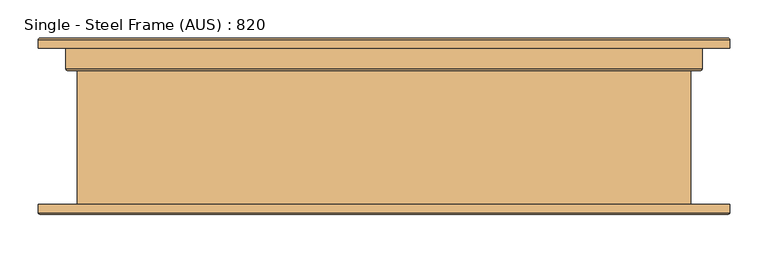
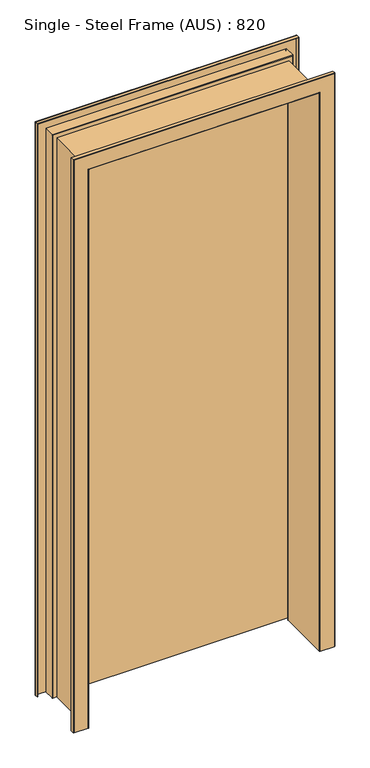
"""IFC4 building model written with IfcOpenShell, lengths in millimetres: door geometry, Single - Steel Frame (AUS) : 820."""

from ifc_helpers import new_model, si_unit, frame, origin, place, context, project, spatial, polyline, circle_curve, ellipse_curve, outline, extrude, source, transform, mapped, element, save
from ifc_brep_helpers import plane_surface, cylinder_surface, revolved_surface, advanced_brep


def single_steel_frame_aus_820_89755aff(model_context):
    return source(origin(), model_context, "Body", "SolidModel", [
        advanced_brep(
        [(-400.0, -115.0, 0.0), (-449.0, -115.0, 0.0), (-451.0, -113.0, 0.0), (-451.0, -102.0, 0.0), (-449.0, -102.0, 0.0), (-449.0, -113.0, 0.0), (-400.0, -113.0, 0.0), (-400.0, 73.0, 0.0), (-413.0, 73.0, 0.0), (-415.0, 75.0, 0.0), (-415.0, 113.0, 0.0), (-449.0, 113.0, 0.0), (-449.0, 102.0, 0.0), (-451.0, 102.0, 0.0), (-451.0, 113.0, 0.0), (-449.0, 115.0, 0.0), (-415.0, 115.0, 0.0), (-413.0, 113.0, 0.0), (-413.0, 76.4142136, 0.0), (-411.5857864, 75.0, 0.0), (-400.0, 75.0, 0.0), (-398.0, 73.0, 0.0), (-398.0, -113.0, 0.0), (-398.0, -113.0, 2033.0), (-400.0, -115.0, 2035.0), (-398.0, 73.0, 2033.0), (-400.0, 75.0, 2035.0), (-411.5857864, 75.0, 2046.5857864), (411.5857864, 75.0, 2046.5857864), (411.5857864, 75.0, 0.0), (400.0, 75.0, 0.0), (400.0, 75.0, 2035.0), (-413.0, 76.4142136, 2048.0), (-413.0, 113.0, 2048.0), (-415.0, 115.0, 2050.0), (-449.0, 115.0, 2084.0), (449.0, 115.0, 2084.0), (449.0, 115.0, 0.0), (415.0, 115.0, 0.0), (415.0, 115.0, 2050.0), (-451.0, 113.0, 2086.0), (-451.0, 102.0, 2086.0), (-449.0, 102.0, 2084.0), (449.0, 102.0, 2084.0), (449.0, 102.0, 0.0), (451.0, 102.0, 0.0), (451.0, 102.0, 2086.0), (-449.0, 113.0, 2084.0), (-415.0, 113.0, 2050.0), (415.0, 113.0, 2050.0), (415.0, 113.0, 0.0), (449.0, 113.0, 0.0), (449.0, 113.0, 2084.0), (-415.0, 75.0, 2050.0), (-413.0, 73.0, 2048.0), (-400.0, 73.0, 2035.0), (400.0, 73.0, 2035.0), (400.0, 73.0, 0.0), (413.0, 73.0, 0.0), (413.0, 73.0, 2048.0), (-400.0, -113.0, 2035.0), (-449.0, -113.0, 2084.0), (449.0, -113.0, 2084.0), (449.0, -113.0, 0.0), (400.0, -113.0, 0.0), (400.0, -113.0, 2035.0), (-449.0, -102.0, 2084.0), (-451.0, -102.0, 2086.0), (451.0, -102.0, 2086.0), (451.0, -102.0, 0.0), (449.0, -102.0, 0.0), (449.0, -102.0, 2084.0), (-451.0, -113.0, 2086.0), (-449.0, -115.0, 2084.0), (400.0, -115.0, 2035.0), (400.0, -115.0, 0.0), (449.0, -115.0, 0.0), (449.0, -115.0, 2084.0), (398.0, -113.0, 2033.0), (398.0, 73.0, 2033.0), (413.0, 76.4142136, 2048.0), (413.0, 113.0, 2048.0), (451.0, 113.0, 2086.0), (415.0, 75.0, 2050.0), (451.0, -113.0, 2086.0), (398.0, -113.0, 0.0), (398.0, 73.0, 0.0), (413.0, 76.4142136, 0.0), (413.0, 113.0, 0.0), (451.0, 113.0, 0.0), (415.0, 75.0, 0.0), (451.0, -113.0, 0.0)],
        [
            (0, 1),
            (1, 2, circle_curve(frame((-449.0, -113.0, 0.0), z_axis=(0.0, 0.0, -1.0), x_axis=(-1.0, 0.0, 0.0)), 2.0)),
            (2, 3),
            (3, 4),
            (4, 5),
            (5, 6),
            (6, 7),
            (7, 8),
            (8, 9, circle_curve(frame((-413.0, 75.0, 0.0), z_axis=(0.0, 0.0, -1.0), x_axis=(-1.0, 0.0, 0.0)), 2.0)),
            (9, 10),
            (10, 11),
            (11, 12),
            (12, 13),
            (13, 14),
            (14, 15, circle_curve(frame((-449.0, 113.0, 0.0), z_axis=(0.0, 0.0, -1.0), x_axis=(-1.0, 0.0, 0.0)), 2.0)),
            (15, 16),
            (16, 17, circle_curve(frame((-415.0, 113.0, 0.0), z_axis=(0.0, 0.0, -1.0), x_axis=(-1.0, 0.0, 0.0)), 2.0)),
            (17, 18),
            (18, 19, circle_curve(frame((-411.5857864, 76.4142136, 0.0), z_axis=(0.0, 0.0, 1.0), x_axis=(-1.0, 0.0, 0.0)), 1.4142136)),
            (19, 20),
            (20, 21, circle_curve(frame((-400.0, 73.0, 0.0), z_axis=(0.0, 0.0, -1.0), x_axis=(-1.0, 0.0, 0.0)), 2.0)),
            (21, 22),
            (22, 0, circle_curve(frame((-400.0, -113.0, 0.0), z_axis=(0.0, 0.0, -1.0), x_axis=(-1.0, 0.0, 0.0)), 2.0)),
            (22, 23),
            (23, 24, ellipse_curve(frame((-400.0, -113.0, 2035.0), z_axis=(-0.7071067811865475, 0.0, -0.7071067811865475), x_axis=(0.7071067811865474, 0.0, -0.7071067811865476)), 2.8284271, 2.0)),
            (24, 0),
            (21, 25),
            (25, 23),
            (20, 26),
            (26, 25, ellipse_curve(frame((-400.0, 73.0, 2035.0), z_axis=(-0.7071067811865475, 0.0, -0.7071067811865475), x_axis=(0.7071067811865474, 0.0, -0.7071067811865476)), 2.8284271, 2.0)),
            (19, 27),
            (27, 28),
            (28, 29),
            (29, 30),
            (30, 31),
            (31, 26),
            (18, 32),
            (32, 27, ellipse_curve(frame((-411.5857864, 76.4142136, 2046.5857864), z_axis=(0.7071067811865475, 0.0, 0.7071067811865475), x_axis=(-0.7071067811865474, 0.0, 0.7071067811865476)), 2.0, 1.4142136)),
            (17, 33),
            (33, 32),
            (16, 34),
            (34, 33, ellipse_curve(frame((-415.0, 113.0, 2050.0), z_axis=(-0.7071067811865475, 0.0, -0.7071067811865475), x_axis=(0.7071067811865474, 0.0, -0.7071067811865476)), 2.8284271, 2.0)),
            (15, 35),
            (35, 36),
            (36, 37),
            (37, 38),
            (38, 39),
            (39, 34),
            (14, 40),
            (40, 35, ellipse_curve(frame((-449.0, 113.0, 2084.0), z_axis=(-0.7071067811865475, 0.0, -0.7071067811865475), x_axis=(0.7071067811865474, 0.0, -0.7071067811865476)), 2.8284271, 2.0)),
            (13, 41),
            (41, 40),
            (12, 42),
            (42, 43),
            (43, 44),
            (44, 45),
            (45, 46),
            (46, 41),
            (11, 47),
            (47, 42),
            (10, 48),
            (48, 49),
            (49, 50),
            (50, 51),
            (51, 52),
            (52, 47),
            (9, 53),
            (53, 48),
            (8, 54),
            (54, 53, ellipse_curve(frame((-413.0, 75.0, 2048.0), z_axis=(-0.7071067811865475, 0.0, -0.7071067811865475), x_axis=(0.7071067811865474, 0.0, -0.7071067811865476)), 2.8284271, 2.0)),
            (7, 55),
            (55, 56),
            (56, 57),
            (57, 58),
            (58, 59),
            (59, 54),
            (6, 60),
            (60, 55),
            (5, 61),
            (61, 62),
            (62, 63),
            (63, 64),
            (64, 65),
            (65, 60),
            (4, 66),
            (66, 61),
            (3, 67),
            (67, 68),
            (68, 69),
            (69, 70),
            (70, 71),
            (71, 66),
            (2, 72),
            (72, 67),
            (1, 73),
            (73, 72, ellipse_curve(frame((-449.0, -113.0, 2084.0), z_axis=(-0.7071067811865475, 0.0, -0.7071067811865475), x_axis=(0.7071067811865474, 0.0, -0.7071067811865476)), 2.8284271, 2.0)),
            (24, 74),
            (74, 75),
            (75, 76),
            (76, 77),
            (77, 73),
            (23, 78),
            (78, 74, ellipse_curve(frame((400.0, -113.0, 2035.0), z_axis=(-0.7071067811865475, 0.0, 0.7071067811865475), x_axis=(-0.7071067811865476, 0.0, -0.7071067811865474)), 2.8284271, 2.0)),
            (25, 79),
            (79, 78),
            (31, 79, ellipse_curve(frame((400.0, 73.0, 2035.0), z_axis=(-0.7071067811865475, 0.0, 0.7071067811865475), x_axis=(-0.7071067811865476, 0.0, -0.7071067811865474)), 2.8284271, 2.0)),
            (32, 80),
            (80, 28, ellipse_curve(frame((411.5857864, 76.4142136, 2046.5857864), z_axis=(0.7071067811865475, 0.0, -0.7071067811865475), x_axis=(0.7071067811865476, 0.0, 0.7071067811865474)), 2.0, 1.4142136)),
            (33, 81),
            (81, 80),
            (39, 81, ellipse_curve(frame((415.0, 113.0, 2050.0), z_axis=(-0.7071067811865475, 0.0, 0.7071067811865475), x_axis=(-0.7071067811865476, 0.0, -0.7071067811865474)), 2.8284271, 2.0)),
            (40, 82),
            (82, 36, ellipse_curve(frame((449.0, 113.0, 2084.0), z_axis=(-0.7071067811865475, 0.0, 0.7071067811865475), x_axis=(-0.7071067811865476, 0.0, -0.7071067811865474)), 2.8284271, 2.0)),
            (46, 82),
            (52, 43),
            (53, 83),
            (83, 49),
            (59, 83, ellipse_curve(frame((413.0, 75.0, 2048.0), z_axis=(-0.7071067811865475, 0.0, 0.7071067811865475), x_axis=(-0.7071067811865476, 0.0, -0.7071067811865474)), 2.8284271, 2.0)),
            (65, 56),
            (71, 62),
            (72, 84),
            (84, 68),
            (77, 84, ellipse_curve(frame((449.0, -113.0, 2084.0), z_axis=(-0.7071067811865475, 0.0, 0.7071067811865475), x_axis=(-0.7071067811865476, 0.0, -0.7071067811865474)), 2.8284271, 2.0)),
            (75, 85, circle_curve(frame((400.0, -113.0, 0.0), z_axis=(0.0, 0.0, -1.0), x_axis=(1.0, 0.0, 0.0)), 2.0)),
            (85, 86),
            (86, 30, circle_curve(frame((400.0, 73.0, 0.0), z_axis=(0.0, 0.0, -1.0), x_axis=(1.0, 0.0, 0.0)), 2.0)),
            (29, 87, circle_curve(frame((411.5857864, 76.4142136, 0.0), z_axis=(0.0, 0.0, 1.0), x_axis=(1.0, 0.0, 0.0)), 1.4142136)),
            (87, 88),
            (88, 38, circle_curve(frame((415.0, 113.0, 0.0), z_axis=(0.0, 0.0, -1.0), x_axis=(1.0, 0.0, 0.0)), 2.0)),
            (37, 89, circle_curve(frame((449.0, 113.0, 0.0), z_axis=(0.0, 0.0, -1.0), x_axis=(1.0, 0.0, 0.0)), 2.0)),
            (89, 45),
            (44, 51),
            (50, 90),
            (90, 58, circle_curve(frame((413.0, 75.0, 0.0), z_axis=(0.0, 0.0, -1.0), x_axis=(1.0, 0.0, 0.0)), 2.0)),
            (57, 64),
            (63, 70),
            (69, 91),
            (91, 76, circle_curve(frame((449.0, -113.0, 0.0), z_axis=(0.0, 0.0, -1.0), x_axis=(1.0, 0.0, 0.0)), 2.0)),
            (78, 85),
            (79, 86),
            (80, 87),
            (81, 88),
            (82, 89),
            (83, 90),
            (84, 91),
        ],
        [
            plane_surface(frame((-451.0, 100.0, 0.0), z_axis=(0.0, 0.0, -1.0), x_axis=(0.0, 1.0, 0.0))),
            cylinder_surface(frame((-400.0, -113.0, 0.0), z_axis=(0.0, 0.0, -1.0), x_axis=(-1.0, 0.0, 0.0)), 2.0),
            plane_surface(frame((-398.0, -113.0, 0.0), z_axis=(1.0, 0.0, 0.0), x_axis=(0.0, 0.0, 1.0))),
            cylinder_surface(frame((-400.0, 73.0, 0.0), z_axis=(0.0, 0.0, -1.0), x_axis=(-1.0, 0.0, 0.0)), 2.0),
            plane_surface(frame((-400.0, 75.0, 0.0), z_axis=(0.0, 1.0, 0.0), x_axis=(0.0, 0.0, 1.0))),
            revolved_surface(polyline([(-413.0, 76.4142136, 2048.0), (-413.0, 76.4142136, 0.0)]), (-411.5857864, 76.4142136, 0.0), (0.0, 0.0, 1.0)),
            plane_surface(frame((-413.0, 76.4142136, 0.0), z_axis=(1.0, 0.0, 0.0), x_axis=(0.0, 0.0, 1.0))),
            cylinder_surface(frame((-415.0, 113.0, 0.0), z_axis=(0.0, 0.0, -1.0), x_axis=(-1.0, 0.0, 0.0)), 2.0),
            plane_surface(frame((-415.0, 115.0, 0.0), z_axis=(0.0, 1.0, 0.0), x_axis=(0.0, 0.0, 1.0))),
            cylinder_surface(frame((-449.0, 113.0, 0.0), z_axis=(0.0, 0.0, -1.0), x_axis=(-1.0, 0.0, 0.0)), 2.0),
            plane_surface(frame((-451.0, 113.0, 0.0), z_axis=(-1.0, 0.0, 0.0), x_axis=(0.0, 0.0, 1.0))),
            plane_surface(frame((-451.0, 102.0, 0.0), z_axis=(0.0, -1.0, 0.0), x_axis=(0.0, 0.0, 1.0))),
            plane_surface(frame((-449.0, 102.0, 0.0), z_axis=(1.0, 0.0, 0.0), x_axis=(0.0, 0.0, 1.0))),
            plane_surface(frame((-449.0, 113.0, 0.0), z_axis=(0.0, -1.0, 0.0), x_axis=(0.0, 0.0, 1.0))),
            plane_surface(frame((-415.0, 113.0, 0.0), z_axis=(-1.0, 0.0, 0.0), x_axis=(0.0, 0.0, 1.0))),
            cylinder_surface(frame((-413.0, 75.0, 0.0), z_axis=(0.0, 0.0, -1.0), x_axis=(-1.0, 0.0, 0.0)), 2.0),
            plane_surface(frame((-413.0, 73.0, 0.0), z_axis=(0.0, -1.0, 0.0), x_axis=(0.0, 0.0, 1.0))),
            plane_surface(frame((-400.0, 73.0, 0.0), z_axis=(-1.0, 0.0, 0.0), x_axis=(0.0, 0.0, 1.0))),
            plane_surface(frame((-400.0, -113.0, 0.0), z_axis=(0.0, 1.0, 0.0), x_axis=(0.0, 0.0, 1.0))),
            plane_surface(frame((-449.0, -113.0, 0.0), z_axis=(1.0, 0.0, 0.0), x_axis=(0.0, 0.0, 1.0))),
            plane_surface(frame((-449.0, -102.0, 0.0), z_axis=(0.0, 1.0, 0.0), x_axis=(0.0, 0.0, 1.0))),
            plane_surface(frame((-451.0, -102.0, 0.0), z_axis=(-1.0, 0.0, 0.0), x_axis=(0.0, 0.0, 1.0))),
            cylinder_surface(frame((-449.0, -113.0, 0.0), z_axis=(0.0, 0.0, -1.0), x_axis=(-1.0, 0.0, 0.0)), 2.0),
            plane_surface(frame((-449.0, -115.0, 0.0), z_axis=(0.0, -1.0, 0.0), x_axis=(0.0, 0.0, 1.0))),
            cylinder_surface(frame((-451.0, -113.0, 2035.0), z_axis=(-1.0, 0.0, 0.0), x_axis=(0.0, 0.0, 1.0)), 2.0),
            plane_surface(frame((-398.0, -113.0, 2033.0), z_axis=(0.0, 0.0, -1.0), x_axis=(1.0, 0.0, 0.0))),
            cylinder_surface(frame((-451.0, 73.0, 2035.0), z_axis=(-1.0, 0.0, 0.0), x_axis=(0.0, 0.0, 1.0)), 2.0),
            revolved_surface(polyline([(413.0, 76.4142136, 2048.0), (-413.0, 76.4142136, 2048.0)]), (-451.0, 76.4142136, 2046.5857864), (1.0, 0.0, 0.0)),
            plane_surface(frame((-413.0, 76.4142136, 2048.0), z_axis=(0.0, 0.0, -1.0), x_axis=(1.0, 0.0, 0.0))),
            cylinder_surface(frame((-451.0, 113.0, 2050.0), z_axis=(-1.0, 0.0, 0.0), x_axis=(0.0, 0.0, 1.0)), 2.0),
            cylinder_surface(frame((-451.0, 113.0, 2084.0), z_axis=(-1.0, 0.0, 0.0), x_axis=(0.0, 0.0, 1.0)), 2.0),
            plane_surface(frame((-451.0, 113.0, 2086.0), z_axis=(0.0, 0.0, 1.0), x_axis=(1.0, 0.0, 0.0))),
            plane_surface(frame((-449.0, 102.0, 2084.0), z_axis=(0.0, 0.0, -1.0), x_axis=(1.0, 0.0, 0.0))),
            plane_surface(frame((-415.0, 113.0, 2050.0), z_axis=(0.0, 0.0, 1.0), x_axis=(1.0, 0.0, 0.0))),
            cylinder_surface(frame((-451.0, 75.0, 2048.0), z_axis=(-1.0, 0.0, 0.0), x_axis=(0.0, 0.0, 1.0)), 2.0),
            plane_surface(frame((-400.0, 73.0, 2035.0), z_axis=(0.0, 0.0, 1.0), x_axis=(1.0, 0.0, 0.0))),
            plane_surface(frame((-449.0, -113.0, 2084.0), z_axis=(0.0, 0.0, -1.0), x_axis=(1.0, 0.0, 0.0))),
            plane_surface(frame((-451.0, -102.0, 2086.0), z_axis=(0.0, 0.0, 1.0), x_axis=(1.0, 0.0, 0.0))),
            cylinder_surface(frame((-451.0, -113.0, 2084.0), z_axis=(-1.0, 0.0, 0.0), x_axis=(0.0, 0.0, 1.0)), 2.0),
            plane_surface(frame((451.0, 100.0, 0.0), z_axis=(0.0, 0.0, -1.0), x_axis=(0.0, 1.0, 0.0))),
            cylinder_surface(frame((400.0, -113.0, 2086.0), z_axis=(0.0, 0.0, 1.0), x_axis=(1.0, 0.0, 0.0)), 2.0),
            plane_surface(frame((398.0, -113.0, 2033.0), z_axis=(-1.0, 0.0, 0.0), x_axis=(0.0, 0.0, -1.0))),
            cylinder_surface(frame((400.0, 73.0, 2086.0), z_axis=(0.0, 0.0, 1.0), x_axis=(1.0, 0.0, 0.0)), 2.0),
            revolved_surface(polyline([(413.0, 76.4142136, 0.0), (413.0, 76.4142136, 2048.0)]), (411.5857864, 76.4142136, 2086.0), (0.0, 0.0, -1.0)),
            plane_surface(frame((413.0, 76.4142136, 2048.0), z_axis=(-1.0, 0.0, 0.0), x_axis=(0.0, 0.0, -1.0))),
            cylinder_surface(frame((415.0, 113.0, 2086.0), z_axis=(0.0, 0.0, 1.0), x_axis=(1.0, 0.0, 0.0)), 2.0),
            cylinder_surface(frame((449.0, 113.0, 2086.0), z_axis=(0.0, 0.0, 1.0), x_axis=(1.0, 0.0, 0.0)), 2.0),
            plane_surface(frame((451.0, 113.0, 2086.0), z_axis=(1.0, 0.0, 0.0), x_axis=(0.0, 0.0, -1.0))),
            plane_surface(frame((449.0, 102.0, 2084.0), z_axis=(-1.0, 0.0, 0.0), x_axis=(0.0, 0.0, -1.0))),
            plane_surface(frame((415.0, 113.0, 2050.0), z_axis=(1.0, 0.0, 0.0), x_axis=(0.0, 0.0, -1.0))),
            cylinder_surface(frame((413.0, 75.0, 2086.0), z_axis=(0.0, 0.0, 1.0), x_axis=(1.0, 0.0, 0.0)), 2.0),
            plane_surface(frame((400.0, 73.0, 2035.0), z_axis=(1.0, 0.0, 0.0), x_axis=(0.0, 0.0, -1.0))),
            plane_surface(frame((449.0, -113.0, 2084.0), z_axis=(-1.0, 0.0, 0.0), x_axis=(0.0, 0.0, -1.0))),
            plane_surface(frame((451.0, -102.0, 2086.0), z_axis=(1.0, 0.0, 0.0), x_axis=(0.0, 0.0, -1.0))),
            cylinder_surface(frame((449.0, -113.0, 2086.0), z_axis=(0.0, 0.0, 1.0), x_axis=(1.0, 0.0, 0.0)), 2.0),
        ],
        [
            (0, [[1, 2, 3, 4, 5, 6, 7, 8, 9, 10, 11, 12, 13, 14, 15, 16, 17, 18, 19, 20, 21, 22, 23]]),
            (1, [[24, 25, 26, -23]]),
            (2, [[27, 28, -24, -22]]),
            (3, [[29, 30, -27, -21]]),
            (4, [[31, 32, 33, 34, 35, 36, -29, -20]]),
            (5, [[37, 38, -31, -19]]),
            (6, [[39, 40, -37, -18]]),
            (7, [[41, 42, -39, -17]]),
            (8, [[43, 44, 45, 46, 47, 48, -41, -16]]),
            (9, [[49, 50, -43, -15]]),
            (10, [[51, 52, -49, -14]]),
            (11, [[53, 54, 55, 56, 57, 58, -51, -13]]),
            (12, [[59, 60, -53, -12]]),
            (13, [[61, 62, 63, 64, 65, 66, -59, -11]]),
            (14, [[67, 68, -61, -10]]),
            (15, [[69, 70, -67, -9]]),
            (16, [[71, 72, 73, 74, 75, 76, -69, -8]]),
            (17, [[77, 78, -71, -7]]),
            (18, [[79, 80, 81, 82, 83, 84, -77, -6]]),
            (19, [[85, 86, -79, -5]]),
            (20, [[87, 88, 89, 90, 91, 92, -85, -4]]),
            (21, [[93, 94, -87, -3]]),
            (22, [[95, 96, -93, -2]]),
            (23, [[-26, 97, 98, 99, 100, 101, -95, -1]]),
            (24, [[102, 103, -97, -25]]),
            (25, [[104, 105, -102, -28]]),
            (26, [[-36, 106, -104, -30]]),
            (27, [[107, 108, -32, -38]]),
            (28, [[109, 110, -107, -40]]),
            (29, [[-48, 111, -109, -42]]),
            (30, [[112, 113, -44, -50]]),
            (31, [[-58, 114, -112, -52]]),
            (32, [[-66, 115, -54, -60]]),
            (33, [[116, 117, -62, -68]]),
            (34, [[-76, 118, -116, -70]]),
            (35, [[-84, 119, -72, -78]]),
            (36, [[-92, 120, -80, -86]]),
            (37, [[121, 122, -88, -94]]),
            (38, [[-101, 123, -121, -96]]),
            (39, [[124, 125, 126, -34, 127, 128, 129, -46, 130, 131, -56, 132, -64, 133, 134, -74, 135, -82, 136, -90, 137, 138, -99]]),
            (40, [[139, -124, -98, -103]]),
            (41, [[140, -125, -139, -105]]),
            (42, [[-35, -126, -140, -106]]),
            (43, [[141, -127, -33, -108]]),
            (44, [[142, -128, -141, -110]]),
            (45, [[-47, -129, -142, -111]]),
            (46, [[143, -130, -45, -113]]),
            (47, [[-57, -131, -143, -114]]),
            (48, [[-65, -132, -55, -115]]),
            (49, [[144, -133, -63, -117]]),
            (50, [[-75, -134, -144, -118]]),
            (51, [[-83, -135, -73, -119]]),
            (52, [[-91, -136, -81, -120]]),
            (53, [[145, -137, -89, -122]]),
            (54, [[-100, -138, -145, -123]]),
        ],
    ),
        extrude(outline(polyline([(410.0, 115.0), (410.0, 77.0), (-410.0, 77.0), (-410.0, 115.0), (410.0, 115.0)])), frame((0.0, 0.0, 5.0), z_axis=(0.0, 0.0, 1.0), x_axis=(1.0, 0.0, 0.0)), (0.0, 0.0, 1.0), 2040.0),
    ])


if __name__ == "__main__":
    model = new_model("IFC4")
    model_context = context("Model", 3, world=origin())
    ifc_project = project(units=[si_unit("LENGTHUNIT", "METRE", prefix="MILLI")], contexts=[model_context])
    site = spatial("IfcSite", under=ifc_project)
    building = spatial("IfcBuilding", under=site)
    placement = place(None, origin())
    single_steel_frame_aus_820_shape = single_steel_frame_aus_820_89755aff(model_context)
    element("IfcDoor", 1, ObjectType="Single - Steel Frame (AUS) : 820", at=placement, inside=building, context=model_context, shape_type="MappedRepresentation", body=[
        mapped(single_steel_frame_aus_820_shape, transform((0.0, 0.0, 0.0), x_axis=(1.0, 0.0, 0.0), y_axis=(0.0, 1.0, 0.0), z_axis=(0.0, 0.0, 1.0))),
    ])
    save(model, "model.ifc")
